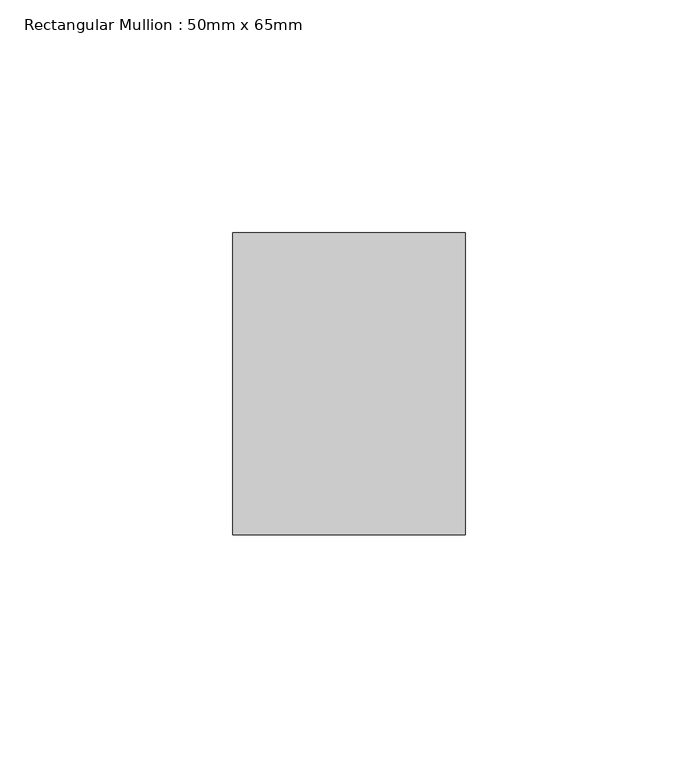
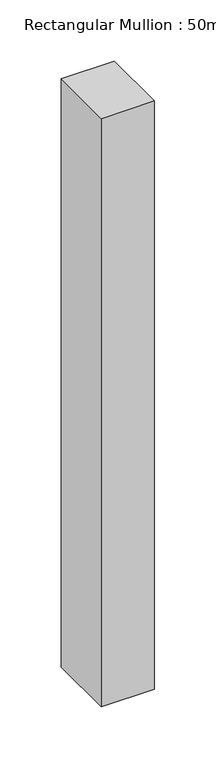
"""IFC4 building model written with IfcOpenShell, lengths in millimetres: member geometry, Rectangular Mullion : 50mm x 65mm."""

from ifc_helpers import new_model, si_unit, frame, origin, place, context, project, spatial, polyline, outline, extrude, source, transform, mapped, element, save


def rectangular_mullion_50mm_x_65mm_c58b70c5(model_context):
    return source(origin(), model_context, "Body", "SweptSolid", [
        extrude(outline(polyline([(25.0, 32.5), (25.0, -32.5), (-25.0, -32.5), (-25.0, 32.5), (25.0, 32.5)])), frame((0.0, 0.0, -585.2035589), z_axis=(0.0, 0.0, 1.0), x_axis=(1.0, 0.0, 0.0)), (0.0, 0.0, 1.0), 585.2035589),
    ])


if __name__ == "__main__":
    model = new_model("IFC4")
    model_context = context("Model", 3, world=origin())
    ifc_project = project(units=[si_unit("LENGTHUNIT", "METRE", prefix="MILLI")], contexts=[model_context])
    site = spatial("IfcSite", under=ifc_project)
    building = spatial("IfcBuilding", under=site)
    placement = place(None, origin())
    rectangular_mullion_50mm_x_65mm_shape = rectangular_mullion_50mm_x_65mm_c58b70c5(model_context)
    element("IfcMember", 1, ObjectType="Rectangular Mullion : 50mm x 65mm", at=placement, inside=building, context=model_context, shape_type="MappedRepresentation", body=[
        mapped(rectangular_mullion_50mm_x_65mm_shape, transform((0.0, 0.0, 0.0), x_axis=(1.0, 0.0, 0.0), y_axis=(0.0, 1.0, 0.0), z_axis=(0.0, 0.0, 1.0))),
    ])
    save(model, "model.ifc")
